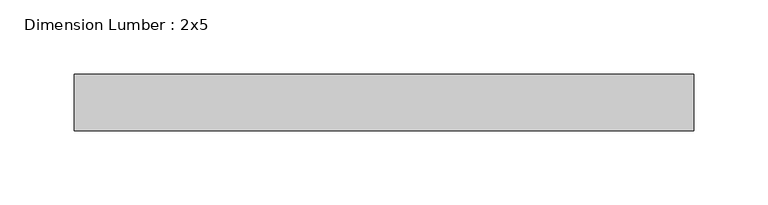
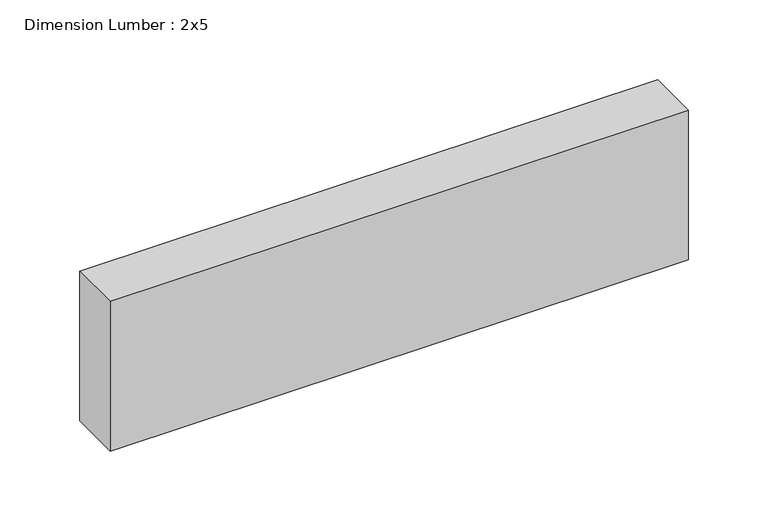
"""IFC4 building model written with IfcOpenShell, lengths in millimetres: beam geometry, Dimension Lumber : 2x5."""

import ifcopenshell
import ifcopenshell.guid

model = None  # the IFC model being written
_history = None  # IfcOwnerHistory: only IFC2X3 demands one
_inside = {}  # id of a spatial element -> (the spatial element, [elements in it])
_under = {}  # id of a project, library or spatial element -> (it, [spatial elements below it])
_declared = {}  # id of a project -> (the project, [libraries it declares])
_typed = {}  # id of a type object -> (the type object, [elements of that type])
_made_of = {}  # id of a material, layer set ... -> (it, [elements and type objects made of it])


def new_model(schema):
    """Start an empty IFC model of exactly this schema.

    Asked for "IFC4X3", IfcOpenShell would pick the latest addendum, in which some entities
    have other attributes; the version numbers below select the first issue.
    IFC2X3 requires an IfcOwnerHistory on every rooted entity: one is made here for all.
    """
    global model, _history
    if schema == "IFC4X3":
        model = ifcopenshell.file(schema_version=(4, 3, 0, 0))
    else:
        model = ifcopenshell.file(schema=schema)
    _inside.clear()
    _under.clear()
    _declared.clear()
    _typed.clear()
    _made_of.clear()
    _history = None
    if model.schema == "IFC2X3":
        org = make("IfcOrganization", Name="unknown")
        user = make(
            "IfcPersonAndOrganization",
            ThePerson=make("IfcPerson", FamilyName="unknown"),
            TheOrganization=org,
        )
        app = make(
            "IfcApplication",
            ApplicationDeveloper=org,
            Version="unknown",
            ApplicationFullName="unknown",
            ApplicationIdentifier="unknown",
        )
        _history = make(
            "IfcOwnerHistory",
            OwningUser=user,
            OwningApplication=app,
            ChangeAction="ADDED",
            CreationDate=0,
        )
    return model


def make(cls, **values):
    """One entity of the class cls with the attributes given. An attribute that is None is left unset."""
    return model.create_entity(
        cls, **{name: value for name, value in values.items() if value is not None}
    )


def rooted(cls, **values):
    """An entity with a GlobalId (a new one), such as an element, a storey or a relation."""
    return make(cls, GlobalId=ifcopenshell.guid.new(), OwnerHistory=_history, **values)


def si_unit(unit_type, name, prefix=None):
    """IfcSIUnit, for example si_unit("LENGTHUNIT", "METRE", prefix="MILLI")."""
    return make("IfcSIUnit", UnitType=unit_type, Prefix=prefix, Name=name)


def assignment(units):
    """IfcUnitAssignment: the units of a project."""
    return None if units is None else make("IfcUnitAssignment", Units=units)


def point(xyz):
    """IfcCartesianPoint."""
    return None if xyz is None else make("IfcCartesianPoint", Coordinates=xyz)


def direction(xyz):
    """IfcDirection."""
    return None if xyz is None else make("IfcDirection", DirectionRatios=xyz)


def frame(location, z_axis=None, x_axis=None):
    """IfcAxis2Placement3D, a coordinate frame: its origin and axes. An axis left out is left unset."""
    return make(
        "IfcAxis2Placement3D",
        Location=point(location),
        Axis=direction(z_axis),
        RefDirection=direction(x_axis),
    )


def origin():
    """The frame at (0, 0, 0) with its axes left unset."""
    return frame((0.0, 0.0, 0.0))


def place(relative_to, where):
    """IfcLocalPlacement: puts the frame where relative to a parent placement (None: the world)."""
    return make(
        "IfcLocalPlacement", PlacementRelTo=relative_to, RelativePlacement=where
    )


def context(
    kind, dimensions, precision=None, world=None, true_north=None, identifier=None
):
    """IfcGeometricRepresentationContext, for example the 3D "Model" context."""
    return make(
        "IfcGeometricRepresentationContext",
        ContextIdentifier=identifier,
        ContextType=kind,
        CoordinateSpaceDimension=dimensions,
        Precision=precision,
        WorldCoordinateSystem=world,
        TrueNorth=true_north,
    )


def project(units=None, contexts=None):
    """IfcProject with its units and contexts."""
    return rooted(
        "IfcProject",
        Name="project",
        RepresentationContexts=contexts,
        UnitsInContext=assignment(units),
    )


def spatial(cls, under=None, at=None, **own):
    """A site, building, storey or space (cls), placed at a placement, below another one or the project."""
    s = rooted(cls, ObjectPlacement=at, **own)
    if under is not None:
        _under.setdefault(under.id(), (under, []))[1].append(s)
    return s


def polyline(points):
    """IfcPolyline through the points."""
    return make("IfcPolyline", Points=[point(p) for p in points])


def outline(outer, holes=None, kind="AREA"):
    """IfcArbitraryClosedProfileDef: a profile drawn as a closed curve; with holes, ...WithVoids."""
    if holes is None:
        return make("IfcArbitraryClosedProfileDef", ProfileType=kind, OuterCurve=outer)
    return make(
        "IfcArbitraryProfileDefWithVoids",
        ProfileType=kind,
        OuterCurve=outer,
        InnerCurves=holes,
    )


def extrude(swept, where, along, depth):
    """IfcExtrudedAreaSolid: the profile swept, set in the frame where, extruded along a direction by depth."""
    return make(
        "IfcExtrudedAreaSolid",
        SweptArea=swept,
        Position=where,
        ExtrudedDirection=direction(along),
        Depth=depth,
    )


def shape(context_of_items, identifier, shape_type, items):
    """IfcShapeRepresentation: the items that make up one representation, for example the "Body"."""
    return make(
        "IfcShapeRepresentation",
        ContextOfItems=context_of_items,
        RepresentationIdentifier=identifier,
        RepresentationType=shape_type,
        Items=items,
    )


def source(mapping_origin, context_of_items, identifier, shape_type, items):
    """IfcRepresentationMap: a shape defined once, which mapped items show again and again."""
    return make(
        "IfcRepresentationMap",
        MappingOrigin=mapping_origin,
        MappedRepresentation=shape(context_of_items, identifier, shape_type, items),
    )


def transform(
    local_origin,
    x_axis=None,
    y_axis=None,
    z_axis=None,
    scale=None,
    scale2=None,
    scale3=None,
    uniform=True,
):
    """IfcCartesianTransformationOperator3D, or its non-uniform kind. x_axis, y_axis, z_axis: its Axis1, 2, 3."""
    if uniform:
        return make(
            "IfcCartesianTransformationOperator3D",
            Axis1=direction(x_axis),
            Axis2=direction(y_axis),
            LocalOrigin=point(local_origin),
            Scale=scale,
            Axis3=direction(z_axis),
        )
    return make(
        "IfcCartesianTransformationOperator3DnonUniform",
        Axis1=direction(x_axis),
        Axis2=direction(y_axis),
        LocalOrigin=point(local_origin),
        Scale=scale,
        Axis3=direction(z_axis),
        Scale2=scale2,
        Scale3=scale3,
    )


def mapped(mapping_source, mapping_target):
    """IfcMappedItem: shows the shape of a source again, moved by a transform."""
    return make(
        "IfcMappedItem", MappingSource=mapping_source, MappingTarget=mapping_target
    )


def made_of(thing, what):
    """Note that an element or type object is made of a material, layer set ...; save() writes the relation."""
    if what is not None:
        _made_of.setdefault(what.id(), (what, []))[1].append(thing)
    return thing


def element(
    cls,
    number,
    at=None,
    inside=None,
    cuts=None,
    type_object=None,
    material=None,
    context=None,
    identifier="Body",
    shape_type=None,
    held_by="IfcProductDefinitionShape",
    body=None,
    shapes=None,
    **own,
):
    """One element of the class cls, such as IfcWall. Its Tag is "e" and its number.

    at: its placement. inside: the storey or other place that contains it. cuts: it is an
    opening in that element (IfcRelVoidsElement). A single representation is given by context,
    identifier, shape_type and body (its items); several are given by shapes. held_by: the class
    of the entity that holds the representations. save() writes the other relations.
    """
    e = rooted(cls, Tag="e%d" % number, ObjectPlacement=at, **own)
    if body is not None:
        shapes = [shape(context, identifier, shape_type, body)]
    if shapes is not None:
        e.Representation = make(held_by, Representations=shapes)
    if inside is not None:
        _inside.setdefault(inside.id(), (inside, []))[1].append(e)
    if cuts is not None:
        rooted(
            "IfcRelVoidsElement", RelatingBuildingElement=cuts, RelatedOpeningElement=e
        )
    if type_object is not None:
        _typed.setdefault(type_object.id(), (type_object, []))[1].append(e)
    return made_of(e, material)


def aggregate(whole, parts):
    """IfcRelAggregates: a whole, such as a stair, and the parts it consists of."""
    return rooted("IfcRelAggregates", RelatingObject=whole, RelatedObjects=parts)


def save(model, path):
    """Write the relations noted so far, then the file.

    IfcRelAggregates (storeys below a building ...), IfcRelContainedInSpatialStructure (elements
    in a storey), IfcRelDefinesByType, IfcRelAssociatesMaterial and IfcRelDeclares: one each for
    every whole, place, type object, material and project.
    """
    for whole, parts in _under.values():
        aggregate(whole, parts)
    for where, things in _inside.values():
        rooted(
            "IfcRelContainedInSpatialStructure",
            RelatedElements=things,
            RelatingStructure=where,
        )
    for kind, things in _typed.values():
        rooted("IfcRelDefinesByType", RelatedObjects=things, RelatingType=kind)
    for what, things in _made_of.values():
        rooted("IfcRelAssociatesMaterial", RelatedObjects=things, RelatingMaterial=what)
    for by, libraries in _declared.values():
        rooted("IfcRelDeclares", RelatingContext=by, RelatedDefinitions=libraries)
    model.write(path)


def dimension_lumber_2x5_cce4240a(model_context):
    return source(origin(), model_context, "Body", "SweptSolid", [
        extrude(outline(polyline([(208.8236724, 19.05), (208.8236724, -19.05), (-208.8236724, -19.05), (-208.8236724, 19.05), (208.8236724, 19.05)])), frame((0.0, 0.0, -57.15), z_axis=(0.0, 0.0, 1.0), x_axis=(1.0, 0.0, 0.0)), (0.0, 0.0, 1.0), 114.3),
    ])


if __name__ == "__main__":
    model = new_model("IFC4")
    model_context = context("Model", 3, world=origin())
    ifc_project = project(units=[si_unit("LENGTHUNIT", "METRE", prefix="MILLI")], contexts=[model_context])
    site = spatial("IfcSite", under=ifc_project)
    building = spatial("IfcBuilding", under=site)
    placement = place(None, origin())
    dimension_lumber_2x5_shape = dimension_lumber_2x5_cce4240a(model_context)
    element("IfcBeam", 1, ObjectType="Dimension Lumber : 2x5", at=placement, inside=building, context=model_context, shape_type="MappedRepresentation", body=[
        mapped(dimension_lumber_2x5_shape, transform((0.0, 0.0, 0.0), x_axis=(1.0, 0.0, 0.0), y_axis=(0.0, 1.0, 0.0), z_axis=(0.0, 0.0, 1.0))),
    ])
    save(model, "model.ifc")
